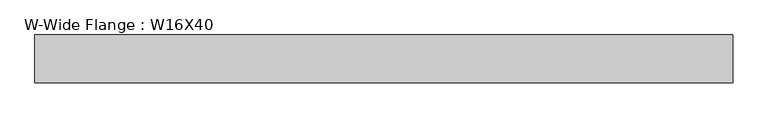
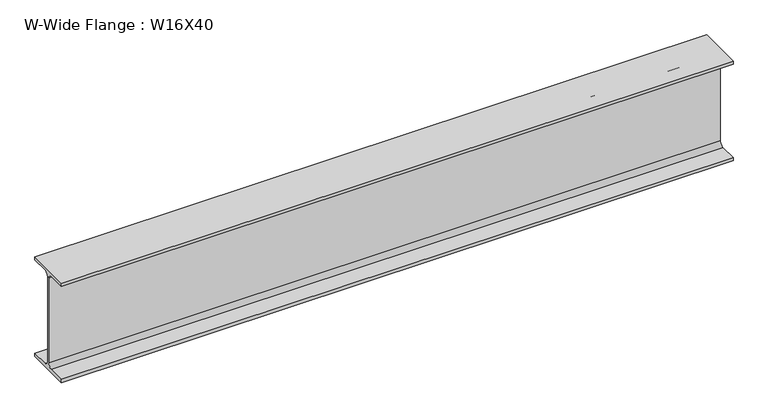
"""IFC4 building model written with IfcOpenShell, lengths in millimetres: beam geometry, W-Wide Flange : W16X40."""

from ifc_helpers import new_model, si_unit, point, frame, frame_2d, origin, place, context, project, spatial, polyline, circle_curve, trimmed, segment, composite_curve, outline, extrude, source, transform, mapped, element, save


def w_wide_flange_w16x40_ad3b4960(model_context):
    return source(origin(), model_context, "Body", "SweptSolid", [
        extrude(outline(composite_curve([segment(polyline([(88.9, -190.4), (88.9, -203.2), (-88.9, -203.2), (-88.9, -190.4), (-21.25, -190.4)]), True, "CONTINUOUS"), segment(trimmed(circle_curve(frame_2d((-21.25, -173.0)), 17.4), [point((-21.25, -190.4))], [point((-3.85, -173.0))], True, "CARTESIAN"), True, "CONTINUOUS"), segment(polyline([(-3.85, -173.0), (-3.85, 173.0)]), True, "CONTINUOUS"), segment(trimmed(circle_curve(frame_2d((-21.25, 173.0)), 17.4), [point((-3.85, 173.0))], [point((-21.25, 190.4))], True, "CARTESIAN"), True, "CONTINUOUS"), segment(polyline([(-21.25, 190.4), (-88.9, 190.4), (-88.9, 203.2), (88.9, 203.2), (88.9, 190.4), (21.25, 190.4)]), True, "CONTINUOUS"), segment(trimmed(circle_curve(frame_2d((21.25, 173.0)), 17.4), [point((21.25, 190.4))], [point((3.85, 173.0))], True, "CARTESIAN"), True, "CONTINUOUS"), segment(polyline([(3.85, 173.0), (3.85, -173.0)]), True, "CONTINUOUS"), segment(trimmed(circle_curve(frame_2d((21.25, -173.0)), 17.4), [point((3.85, -173.0))], [point((21.25, -190.4))], True, "CARTESIAN"), True, "CONTINUOUS"), segment(polyline([(21.25, -190.4), (88.9, -190.4)]), True, "CONTINUOUS")], self_intersect=False)), frame((-2447.7401772, 0.0, 0.0), z_axis=(1.0, 0.0, 0.0), x_axis=(0.0, 1.0, 0.0)), (0.0, 0.0, 1.0), 2597.2093417),
    ])


if __name__ == "__main__":
    model = new_model("IFC4")
    model_context = context("Model", 3, world=origin())
    ifc_project = project(units=[si_unit("LENGTHUNIT", "METRE", prefix="MILLI")], contexts=[model_context])
    site = spatial("IfcSite", under=ifc_project)
    building = spatial("IfcBuilding", under=site)
    placement = place(None, origin())
    w_wide_flange_w16x40_shape = w_wide_flange_w16x40_ad3b4960(model_context)
    element("IfcBeam", 1, ObjectType="W-Wide Flange : W16X40", at=placement, inside=building, context=model_context, shape_type="MappedRepresentation", body=[
        mapped(w_wide_flange_w16x40_shape, transform((0.0, 0.0, 0.0), x_axis=(1.0, 0.0, 0.0), y_axis=(0.0, 1.0, 0.0), z_axis=(0.0, 0.0, 1.0))),
    ])
    save(model, "model.ifc")
